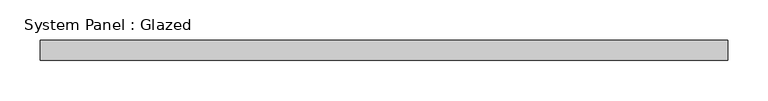
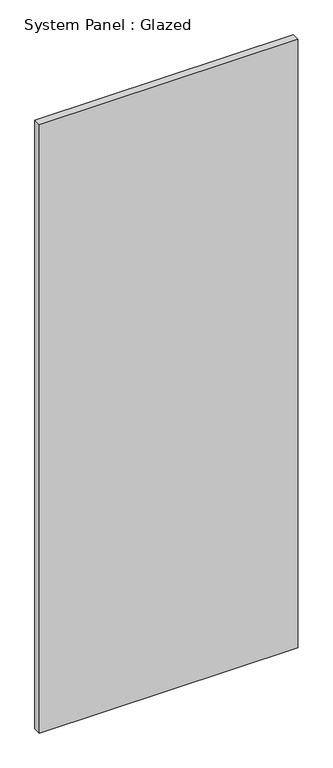
"""IFC4 building model written with IfcOpenShell, lengths in millimetres: plate geometry, System Panel : Glazed."""

from ifc_helpers import new_model, si_unit, origin, origin_with_axes, place, context, project, spatial, polyline, outline, extrude, source, transform, mapped, element, save


def system_panel_glazed_e152030e(model_context):
    return source(origin(), model_context, "Body", "SweptSolid", [
        extrude(outline(polyline([(428.625, -44.45), (-428.625, -44.45), (-428.625, -19.05), (428.625, -19.05), (428.625, -44.45)])), origin_with_axes(), (0.0, 0.0, 1.0), 2133.6),
    ])


if __name__ == "__main__":
    model = new_model("IFC4")
    model_context = context("Model", 3, world=origin())
    ifc_project = project(units=[si_unit("LENGTHUNIT", "METRE", prefix="MILLI")], contexts=[model_context])
    site = spatial("IfcSite", under=ifc_project)
    building = spatial("IfcBuilding", under=site)
    placement = place(None, origin())
    system_panel_glazed_shape = system_panel_glazed_e152030e(model_context)
    element("IfcPlate", 1, ObjectType="System Panel : Glazed", at=placement, inside=building, context=model_context, shape_type="MappedRepresentation", body=[
        mapped(system_panel_glazed_shape, transform((0.0, 0.0, 0.0), x_axis=(1.0, 0.0, 0.0), y_axis=(0.0, 1.0, 0.0), z_axis=(0.0, 0.0, 1.0))),
    ])
    save(model, "model.ifc")
